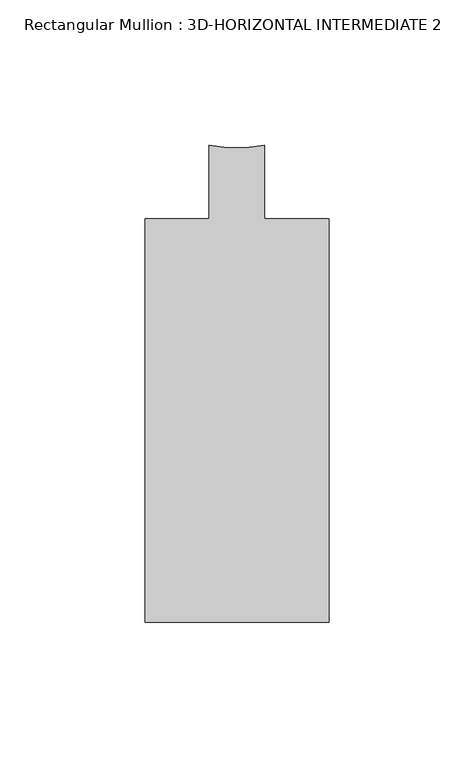
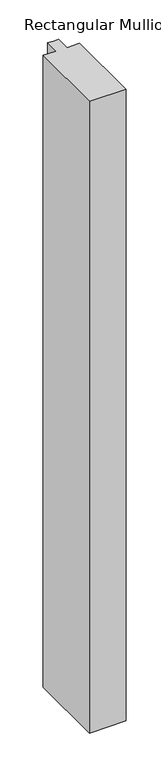
"""IFC4 building model written with IfcOpenShell, lengths in millimetres: member geometry, Rectangular Mullion : 3D-HORIZONTAL INTERMEDIATE 2."""

from ifc_helpers import new_model, si_unit, point, frame, frame_2d, origin, place, context, project, spatial, polyline, circle_curve, trimmed, segment, composite_curve, outline, extrude, source, transform, mapped, element, save


def rectangular_mullion_3d_horizontal_intermediate_2_dead0c99(model_context):
    return source(origin(), model_context, "Body", "SweptSolid", [
        extrude(outline(composite_curve([segment(polyline([(-31.75, 56.896), (-9.5251132, 56.896), (-9.5251132, 82.296)]), True, "CONTINUOUS"), segment(trimmed(circle_curve(frame_2d((0.0, 122.9915843)), 41.7954347), [point((-9.5251132, 82.296))], [point((9.5251132, 82.296))], True, "CARTESIAN"), True, "CONTINUOUS"), segment(polyline([(9.5251132, 82.296), (9.5251132, 56.896), (31.75, 56.896), (31.75, -82.296), (-31.75, -82.296), (-31.75, 56.896)]), True, "CONTINUOUS")], self_intersect=False)), frame((0.0, 0.0, -1159.5695312), z_axis=(0.0, 0.0, 1.0), x_axis=(1.0, 0.0, 0.0)), (0.0, 0.0, 1.0), 1159.5695312),
    ])


if __name__ == "__main__":
    model = new_model("IFC4")
    model_context = context("Model", 3, world=origin())
    ifc_project = project(units=[si_unit("LENGTHUNIT", "METRE", prefix="MILLI")], contexts=[model_context])
    site = spatial("IfcSite", under=ifc_project)
    building = spatial("IfcBuilding", under=site)
    placement = place(None, origin())
    rectangular_mullion_3d_horizontal_intermediate_2_shape = rectangular_mullion_3d_horizontal_intermediate_2_dead0c99(model_context)
    element("IfcMember", 1, ObjectType="Rectangular Mullion : 3D-HORIZONTAL INTERMEDIATE 2", at=placement, inside=building, context=model_context, shape_type="MappedRepresentation", body=[
        mapped(rectangular_mullion_3d_horizontal_intermediate_2_shape, transform((0.0, 0.0, 0.0), x_axis=(1.0, 0.0, 0.0), y_axis=(0.0, 1.0, 0.0), z_axis=(0.0, 0.0, 1.0))),
    ])
    save(model, "model.ifc")
